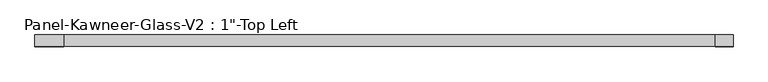
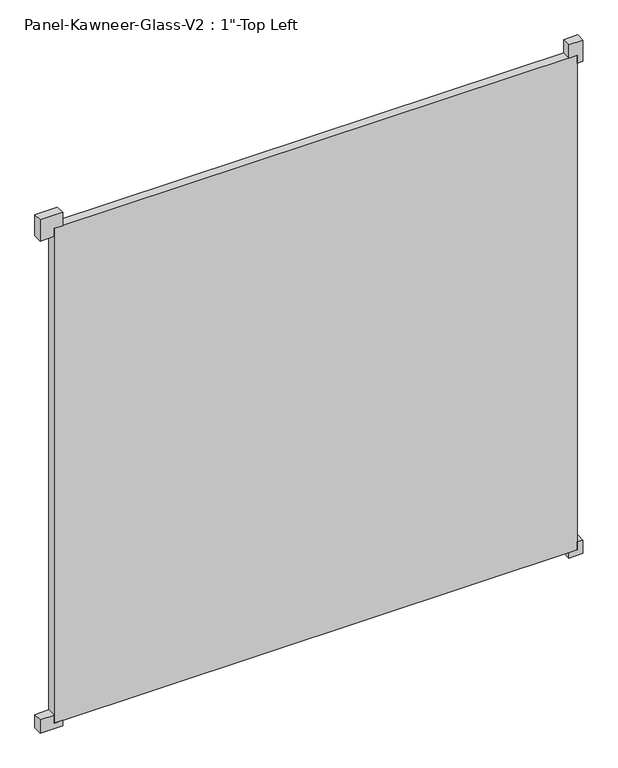
"""IFC4 building model written with IfcOpenShell, lengths in millimetres: plate geometry."""

from ifc_helpers import new_model, si_unit, frame, origin, origin_with_axes, place, context, project, spatial, polyline, outline, extrude, source, transform, mapped, element, save


def plate_a24c73a8(model_context):
    return source(origin(), model_context, "Body", "SweptSolid", [
        extrude(outline(polyline([(-15.875, 714.375), (-15.875, 754.0625), (23.8125, 754.0625), (23.8125, 738.1875), (0.0, 738.1875), (0.0, 714.375), (-15.875, 714.375)])), frame((0.0, -12.7327949, 0.0), z_axis=(0.0, 1.0, 0.0), x_axis=(0.0, 0.0, 1.0)), (0.0, 0.0, 1.0), 25.4),
        extrude(outline(polyline([(-15.875, -714.375), (0.0, -714.375), (0.0, -738.1875), (23.8125, -738.1875), (23.8125, -777.875), (-15.875, -777.875), (-15.875, -714.375)])), frame((0.0, -12.7327949, 0.0), z_axis=(0.0, 1.0, 0.0), x_axis=(0.0, 0.0, 1.0)), (0.0, 0.0, 1.0), 25.4),
        extrude(outline(polyline([(1516.0625, 714.375), (1476.375, 714.375), (1476.375, 738.1875), (1452.5625, 738.1875), (1452.5625, 754.0625), (1516.0625, 754.0625), (1516.0625, 714.375)])), frame((0.0, -12.7327949, 0.0), z_axis=(0.0, 1.0, 0.0), x_axis=(0.0, 0.0, 1.0)), (0.0, 0.0, 1.0), 25.4),
        extrude(outline(polyline([(1516.0625, -714.375), (1516.0625, -777.875), (1452.5625, -777.875), (1452.5625, -738.1875), (1476.375, -738.1875), (1476.375, -714.375), (1516.0625, -714.375)])), frame((0.0, -12.7327949, 0.0), z_axis=(0.0, 1.0, 0.0), x_axis=(0.0, 0.0, 1.0)), (0.0, 0.0, 1.0), 25.4),
        extrude(outline(polyline([(738.1875, 12.6672051), (738.1875, -12.7327949), (-738.1875, -12.7327949), (-738.1875, 12.6672051), (738.1875, 12.6672051)])), origin_with_axes(), (0.0, 0.0, 1.0), 1476.375),
    ])


if __name__ == "__main__":
    model = new_model("IFC4")
    model_context = context("Model", 3, world=origin())
    ifc_project = project(units=[si_unit("LENGTHUNIT", "METRE", prefix="MILLI")], contexts=[model_context])
    site = spatial("IfcSite", under=ifc_project)
    building = spatial("IfcBuilding", under=site)
    placement = place(None, origin())
    plate_shape = plate_a24c73a8(model_context)
    element("IfcPlate", 1, ObjectType="Panel-Kawneer-Glass-V2 : 1\"-Top Left", at=placement, inside=building, context=model_context, shape_type="MappedRepresentation", body=[
        mapped(plate_shape, transform((0.0, 0.0, 0.0), x_axis=(1.0, 0.0, 0.0), y_axis=(0.0, 1.0, 0.0), z_axis=(0.0, 0.0, 1.0))),
    ])
    save(model, "model.ifc")
